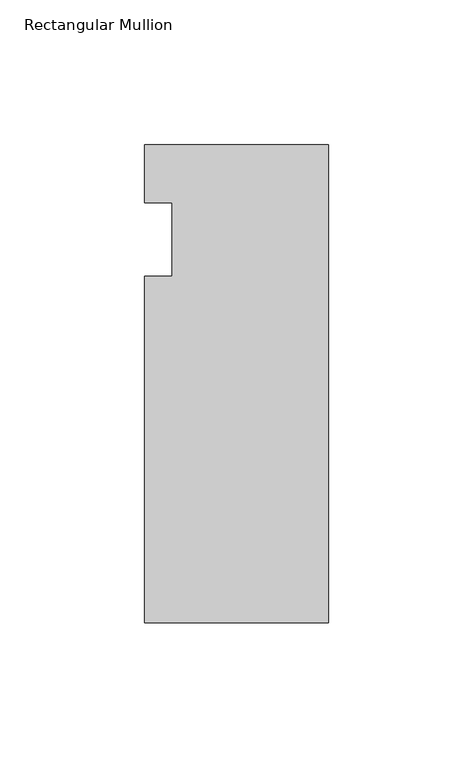
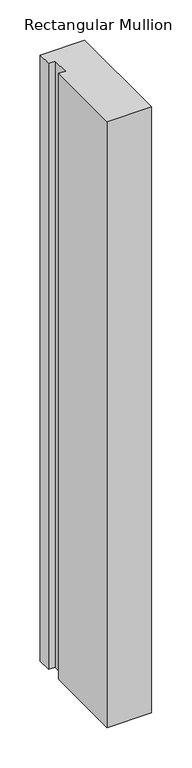
"""IFC4 building model written with IfcOpenShell, lengths in millimetres: member geometry, Rectangular Mullion."""

from ifc_helpers import new_model, si_unit, frame, origin, place, context, project, spatial, polyline, outline, extrude, source, transform, mapped, element, save


def rectangular_mullion_8cbfea8b(model_context):
    return source(origin(), model_context, "Body", "SweptSolid", [
        extrude(outline(polyline([(-63.5, 20.0421875), (0.0, 20.0421875), (0.0, -145.0578125), (-63.5, -145.0578125), (-63.5, -25.4), (-53.975, -25.4), (-53.975, 0.0), (-63.5, 0.0), (-63.5, 20.0421875)])), frame((0.0, 0.0, -914.4), z_axis=(0.0, 0.0, 1.0), x_axis=(1.0, 0.0, 0.0)), (0.0, 0.0, 1.0), 914.4),
    ])


if __name__ == "__main__":
    model = new_model("IFC4")
    model_context = context("Model", 3, world=origin())
    ifc_project = project(units=[si_unit("LENGTHUNIT", "METRE", prefix="MILLI")], contexts=[model_context])
    site = spatial("IfcSite", under=ifc_project)
    building = spatial("IfcBuilding", under=site)
    placement = place(None, origin())
    rectangular_mullion_shape = rectangular_mullion_8cbfea8b(model_context)
    element("IfcMember", 1, ObjectType="Rectangular Mullion", at=placement, inside=building, context=model_context, shape_type="MappedRepresentation", body=[
        mapped(rectangular_mullion_shape, transform((0.0, 0.0, 0.0), x_axis=(1.0, 0.0, 0.0), y_axis=(0.0, 1.0, 0.0), z_axis=(0.0, 0.0, 1.0))),
    ])
    save(model, "model.ifc")
